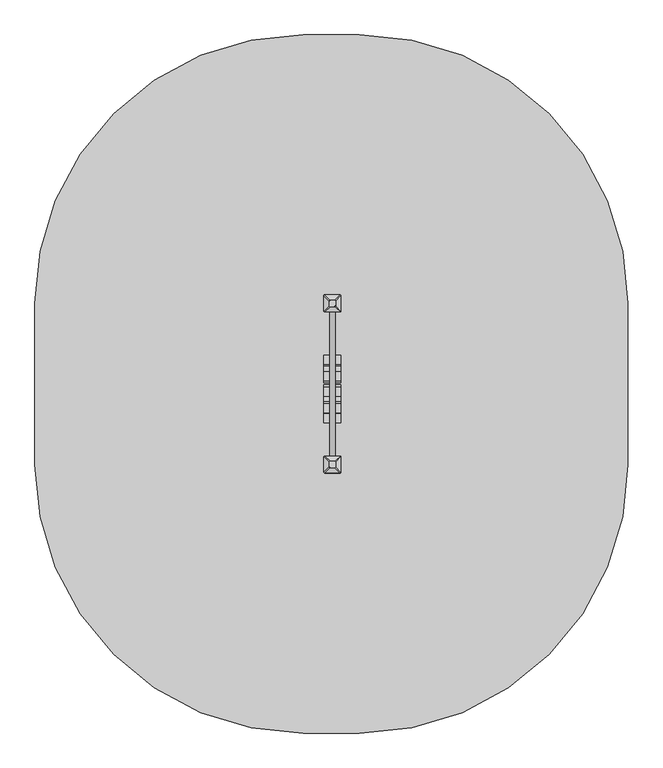
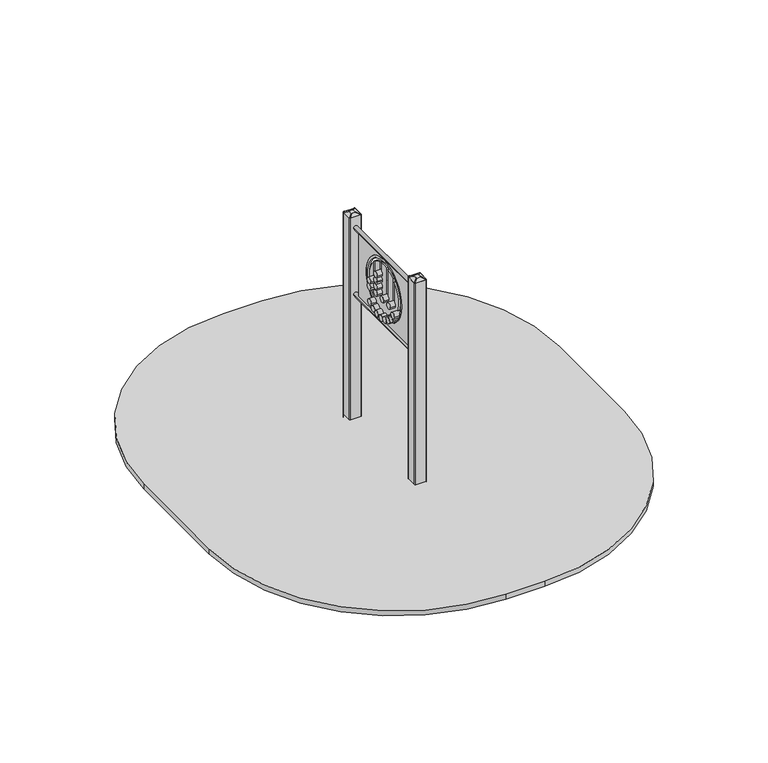
"""IFC4 building model written with IfcOpenShell, lengths in millimetres: furniture geometry."""

from ifc_helpers import new_model, si_unit, point, frame, frame_2d, origin, place, context, project, spatial, polyline, circle_curve, trimmed, segment, composite_curve, outline, extrude, source, transform, mapped, element, save
from ifc_brep_helpers import plane_surface, cylinder_surface, extruded_surface, advanced_brep


def furniture_8bec8dd3(model_context):
    return source(origin(), model_context, "Body", "SolidModel", [
        advanced_brep(
        [(17.5, -724.0, 1715.0), (12.5, -719.0, 1715.0), (-12.5, -719.0, 1715.0), (-17.5, -724.0, 1715.0), (-17.5, -749.0, 1715.0), (-12.5, -754.0, 1715.0), (12.5, -754.0, 1715.0), (17.5, -749.0, 1715.0), (47.5, -694.0, 1700.0), (47.5, -779.0, 1700.0), (42.5, -784.0, 1700.0), (-42.5, -784.0, 1700.0), (-47.5, -779.0, 1700.0), (-47.5, -694.0, 1700.0), (-42.5, -689.0, 1700.0), (42.5, -689.0, 1700.0)],
        [
            (0, 1, circle_curve(frame((12.5, -724.0, 1715.0), z_axis=(0.0, 0.0, 1.0), x_axis=(1.0, 0.0, 0.0)), 5.0)),
            (1, 2),
            (2, 3, circle_curve(frame((-12.5, -724.0, 1715.0), z_axis=(0.0, 0.0, 1.0), x_axis=(1.0, 0.0, 0.0)), 5.0)),
            (3, 4),
            (4, 5, circle_curve(frame((-12.5, -749.0, 1715.0), z_axis=(0.0, 0.0, 1.0), x_axis=(1.0, 0.0, 0.0)), 5.0)),
            (5, 6),
            (6, 7, circle_curve(frame((12.5, -749.0, 1715.0), z_axis=(0.0, 0.0, 1.0), x_axis=(1.0, 0.0, 0.0)), 5.0)),
            (7, 0),
            (8, 9),
            (9, 10, circle_curve(frame((42.5, -779.0, 1700.0), z_axis=(0.0, 0.0, -1.0), x_axis=(1.0, 0.0, 0.0)), 5.0)),
            (10, 11),
            (11, 12, circle_curve(frame((-42.5, -779.0, 1700.0), z_axis=(0.0, 0.0, -1.0), x_axis=(1.0, 0.0, 0.0)), 5.0)),
            (12, 13),
            (13, 14, circle_curve(frame((-42.5, -694.0, 1700.0), z_axis=(0.0, 0.0, -1.0), x_axis=(1.0, 0.0, 0.0)), 5.0)),
            (14, 15),
            (15, 8, circle_curve(frame((42.5, -694.0, 1700.0), z_axis=(0.0, 0.0, -1.0), x_axis=(1.0, 0.0, 0.0)), 5.0)),
            (8, 0),
            (7, 9),
            (6, 10),
            (5, 11),
            (4, 12),
            (3, 13),
            (2, 14),
            (1, 15),
        ],
        [
            plane_surface(frame((0.0, -736.5, 1715.0), z_axis=(0.0, 0.0, 1.0), x_axis=(-1.0, 0.0, 0.0))),
            plane_surface(frame((0.0, -736.5, 1700.0), z_axis=(0.0, 0.0, -1.0), x_axis=(-1.0, 0.0, 0.0))),
            plane_surface(frame((47.5, -736.5, 1700.0), z_axis=(0.447213595499958, 0.0, 0.894427190999916), x_axis=(0.0, -1.0, 0.0))),
            extruded_surface(trimmed(circle_curve(frame((12.5, -749.0, 1715.0), z_axis=(0.0, 0.0, -1.0), x_axis=(1.0, 0.0, 0.0)), 5.0), [point((17.5, -749.0, 1715.0))], [point((12.5, -754.0, 1715.0))], True, "CARTESIAN"), (30.0, -30.0, -15.0), 45.0),
            plane_surface(frame((0.0, -784.0, 1700.0), z_axis=(0.0, -0.447213595499958, 0.894427190999916), x_axis=(-1.0, 0.0, 0.0))),
            extruded_surface(trimmed(circle_curve(frame((-12.5, -749.0, 1715.0), z_axis=(0.0, 0.0, -1.0), x_axis=(1.0, 0.0, 0.0)), 5.0), [point((-12.5, -754.0, 1715.0))], [point((-17.5, -749.0, 1715.0))], True, "CARTESIAN"), (-30.0, -30.0, -15.0), 45.0),
            plane_surface(frame((-47.5, -736.5, 1700.0), z_axis=(-0.447213595499958, 0.0, 0.894427190999916), x_axis=(0.0, 1.0, 0.0))),
            extruded_surface(trimmed(circle_curve(frame((-12.5, -724.0, 1715.0), z_axis=(0.0, 0.0, -1.0), x_axis=(1.0, 0.0, 0.0)), 5.0), [point((-17.5, -724.0, 1715.0))], [point((-12.5, -719.0, 1715.0))], True, "CARTESIAN"), (-30.0, 30.0, -15.0), 45.0),
            plane_surface(frame((0.0, -689.0, 1700.0), z_axis=(0.0, 0.447213595499958, 0.894427190999916), x_axis=(1.0, 0.0, 0.0))),
            extruded_surface(trimmed(circle_curve(frame((12.5, -724.0, 1715.0), z_axis=(0.0, 0.0, -1.0), x_axis=(1.0, 0.0, 0.0)), 5.0), [point((12.5, -719.0, 1715.0))], [point((17.5, -724.0, 1715.0))], True, "CARTESIAN"), (30.0, 30.0, -15.0), 45.0),
        ],
        [
            (0, [[1, 2, 3, 4, 5, 6, 7, 8]]),
            (1, [[9, 10, 11, 12, 13, 14, 15, 16]]),
            (2, [[17, -8, 18, -9]]),
            (3, [[-18, -7, 19, -10]]),
            (4, [[-19, -6, 20, -11]]),
            (5, [[-20, -5, 21, -12]]),
            (6, [[-21, -4, 22, -13]]),
            (7, [[-22, -3, 23, -14]]),
            (8, [[-23, -2, 24, -15]]),
            (9, [[-24, -1, -17, -16]]),
        ],
    ),
        extrude(outline(composite_curve([segment(trimmed(circle_curve(frame_2d((42.5, -779.0)), 5.0), [point((47.5, -779.0))], [point((42.5, -784.0))], False, "CARTESIAN"), True, "CONTINUOUS"), segment(polyline([(42.5, -784.0), (-42.5, -784.0)]), True, "CONTINUOUS"), segment(trimmed(circle_curve(frame_2d((-42.5, -779.0)), 5.0), [point((-42.5, -784.0))], [point((-47.5, -779.0))], False, "CARTESIAN"), True, "CONTINUOUS"), segment(polyline([(-47.5, -779.0), (-47.5, -694.0)]), True, "CONTINUOUS"), segment(trimmed(circle_curve(frame_2d((-42.5, -694.0)), 5.0), [point((-47.5, -694.0))], [point((-42.5, -689.0))], False, "CARTESIAN"), True, "CONTINUOUS"), segment(polyline([(-42.5, -689.0), (42.5, -689.0)]), True, "CONTINUOUS"), segment(trimmed(circle_curve(frame_2d((42.5, -694.0)), 5.0), [point((42.5, -689.0))], [point((47.5, -694.0))], False, "CARTESIAN"), True, "CONTINUOUS"), segment(polyline([(47.5, -694.0), (47.5, -779.0)]), True, "CONTINUOUS")], self_intersect=False)), frame((0.0, 0.0, -600.0), z_axis=(0.0, 0.0, 1.0), x_axis=(1.0, 0.0, 0.0)), (0.0, 0.0, 1.0), 500.0),
        advanced_brep(
        [(90.0, -586.5, -600.0), (150.0, -646.5, -600.0), (150.0, -826.5, -600.0), (90.0, -886.5, -600.0), (-90.0, -886.5, -600.0), (-150.0, -826.5, -600.0), (-150.0, -646.5, -600.0), (-90.0, -586.5, -600.0), (-90.0, -586.5, -460.0), (90.0, -586.5, -460.0), (-150.0, -826.5, -460.0), (-150.0, -646.5, -460.0), (90.0, -886.5, -460.0), (-90.0, -886.5, -460.0), (150.0, -646.5, -460.0), (150.0, -826.5, -460.0), (-12.2959549, -663.8010597, -250.0), (-72.2959549, -723.8010597, -250.0), (-72.2959549, -749.1989403, -250.0), (-12.2959549, -809.1989403, -250.0), (12.2959549, -809.1989403, -250.0), (72.2959549, -749.1989403, -250.0), (72.2959549, -723.8010597, -250.0), (12.2959549, -663.8010597, -250.0)],
        [
            (0, 1, circle_curve(frame((90.0, -646.5, -600.0), z_axis=(0.0, 0.0, -1.0), x_axis=(1.0, 0.0, 0.0)), 60.0)),
            (1, 2),
            (2, 3, circle_curve(frame((90.0, -826.5, -600.0), z_axis=(0.0, 0.0, -1.0), x_axis=(1.0, 0.0, 0.0)), 60.0)),
            (3, 4),
            (4, 5, circle_curve(frame((-90.0, -826.5, -600.0), z_axis=(0.0, 0.0, -1.0), x_axis=(1.0, 0.0, 0.0)), 60.0)),
            (5, 6),
            (6, 7, circle_curve(frame((-90.0, -646.5, -600.0), z_axis=(0.0, 0.0, -1.0), x_axis=(1.0, 0.0, 0.0)), 60.0)),
            (7, 0),
            (7, 8),
            (8, 9),
            (9, 0),
            (5, 10),
            (10, 11),
            (11, 6),
            (3, 12),
            (12, 13),
            (13, 4),
            (1, 14),
            (14, 15),
            (15, 2),
            (16, 17, circle_curve(frame((-12.2959549, -723.8010597, -250.0), z_axis=(0.0, 0.0, 1.0), x_axis=(1.0, 0.0, 0.0)), 60.0)),
            (17, 18),
            (18, 19, circle_curve(frame((-12.2959549, -749.1989403, -250.0), z_axis=(0.0, 0.0, 1.0), x_axis=(1.0, 0.0, 0.0)), 60.0)),
            (19, 20),
            (20, 21, circle_curve(frame((12.2959549, -749.1989403, -250.0), z_axis=(0.0, 0.0, 1.0), x_axis=(1.0, 0.0, 0.0)), 60.0)),
            (21, 22),
            (22, 23, circle_curve(frame((12.2959549, -723.8010597, -250.0), z_axis=(0.0, 0.0, 1.0), x_axis=(1.0, 0.0, 0.0)), 60.0)),
            (23, 16),
            (17, 11),
            (10, 18),
            (19, 13),
            (12, 20),
            (21, 15),
            (14, 22),
            (23, 9),
            (8, 16),
            (11, 8, circle_curve(frame((-90.0, -646.5, -460.0), z_axis=(0.0, 0.0, -1.0), x_axis=(1.0, 0.0, 0.0)), 60.0)),
            (13, 10, circle_curve(frame((-90.0, -826.5, -460.0), z_axis=(0.0, 0.0, -1.0), x_axis=(1.0, 0.0, 0.0)), 60.0)),
            (15, 12, circle_curve(frame((90.0, -826.5, -460.0), z_axis=(0.0, 0.0, -1.0), x_axis=(1.0, 0.0, 0.0)), 60.0)),
            (9, 14, circle_curve(frame((90.0, -646.5, -460.0), z_axis=(0.0, 0.0, -1.0), x_axis=(1.0, 0.0, 0.0)), 60.0)),
        ],
        [
            plane_surface(frame((-176.6329682, -586.5, -600.0), z_axis=(0.0, 0.0, -1.0), x_axis=(1.0, 0.0, 0.0))),
            plane_surface(frame((90.0, -586.5, -460.0), z_axis=(0.0, 1.0, 0.0), x_axis=(0.0, 0.0, -1.0))),
            plane_surface(frame((-150.0, -646.5, -460.0), z_axis=(-1.0, 0.0, 0.0), x_axis=(0.0, 0.0, -1.0))),
            plane_surface(frame((-90.0, -886.5, -460.0), z_axis=(0.0, -1.0, 0.0), x_axis=(0.0, 0.0, -1.0))),
            plane_surface(frame((150.0, -826.5, -460.0), z_axis=(1.0, 0.0, 0.0), x_axis=(0.0, 0.0, -1.0))),
            plane_surface(frame((0.0, -736.5, -250.0), z_axis=(0.0, 0.0, 1.0), x_axis=(-1.0, 0.0, 0.0))),
            plane_surface(frame((-150.0, -736.5, -460.0), z_axis=(-0.9378559633153523, 0.0, 0.3470247715564883), x_axis=(0.0, -1.0, 0.0))),
            plane_surface(frame((0.0, -886.5, -460.0), z_axis=(0.0, -0.9384407279810882, 0.3454402988452927), x_axis=(1.0, 0.0, 0.0))),
            plane_surface(frame((150.0, -736.5, -460.0), z_axis=(0.9378559633153524, 0.0, 0.34702477155648764), x_axis=(0.0, 1.0, 0.0))),
            plane_surface(frame((0.0, -586.5, -460.0), z_axis=(0.0, 0.9384407279810884, 0.3454402988452924), x_axis=(-1.0, 0.0, 0.0))),
            cylinder_surface(frame((-90.0, -646.5, -600.0), z_axis=(0.0, 0.0, 1.0), x_axis=(1.0, 0.0, 0.0)), 60.0),
            cylinder_surface(frame((-90.0, -826.5, -600.0), z_axis=(0.0, 0.0, 1.0), x_axis=(1.0, 0.0, 0.0)), 60.0),
            cylinder_surface(frame((90.0, -826.5, -600.0), z_axis=(0.0, 0.0, 1.0), x_axis=(1.0, 0.0, 0.0)), 60.0),
            cylinder_surface(frame((90.0, -646.5, -600.0), z_axis=(0.0, 0.0, 1.0), x_axis=(1.0, 0.0, 0.0)), 60.0),
            extruded_surface(trimmed(circle_curve(frame((-90.0, -646.5, -460.0), z_axis=(0.0, 0.0, 1.0), x_axis=(1.0, 0.0, 0.0)), 60.0), [point((-90.0, -586.5, -460.0))], [point((-150.0, -646.5, -460.0))], True, "CARTESIAN"), (77.7040451, -77.3010597, 210.0), 236.8826132404947),
            extruded_surface(trimmed(circle_curve(frame((90.0, -646.5, -460.0), z_axis=(0.0, 0.0, 1.0), x_axis=(1.0, 0.0, 0.0)), 60.0), [point((150.0, -646.5, -460.0))], [point((90.0, -586.5, -460.0))], True, "CARTESIAN"), (-77.7040451, -77.3010597, 210.0), 236.8826132404947),
            extruded_surface(trimmed(circle_curve(frame((-90.0, -826.5, -460.0), z_axis=(0.0, 0.0, 1.0), x_axis=(1.0, 0.0, 0.0)), 60.0), [point((-150.0, -826.5, -460.0))], [point((-90.0, -886.5, -460.0))], True, "CARTESIAN"), (77.7040451, 77.3010597, 210.0), 236.8826132404947),
            extruded_surface(trimmed(circle_curve(frame((90.0, -826.5, -460.0), z_axis=(0.0, 0.0, 1.0), x_axis=(1.0, 0.0, 0.0)), 60.0), [point((90.0, -886.5, -460.0))], [point((150.0, -826.5, -460.0))], True, "CARTESIAN"), (-77.7040451, 77.3010597, 210.0), 236.8826132404947),
        ],
        [
            (0, [[1, 2, 3, 4, 5, 6, 7, 8]]),
            (1, [[-8, 9, 10, 11]]),
            (2, [[-6, 12, 13, 14]]),
            (3, [[-4, 15, 16, 17]]),
            (4, [[-2, 18, 19, 20]]),
            (5, [[21, 22, 23, 24, 25, 26, 27, 28]]),
            (6, [[-22, 29, -13, 30]]),
            (7, [[-24, 31, -16, 32]]),
            (8, [[-26, 33, -19, 34]]),
            (9, [[-28, 35, -10, 36]]),
            (10, [[-7, -14, 37, -9]]),
            (11, [[-5, -17, 38, -12]]),
            (12, [[-3, -20, 39, -15]]),
            (13, [[-1, -11, 40, -18]]),
            (14, [[-21, -36, -37, -29]]),
            (15, [[-27, -34, -40, -35]]),
            (16, [[-23, -30, -38, -31]]),
            (17, [[-25, -32, -39, -33]]),
        ],
    ),
        advanced_brep(
        [(17.5, 151.0, 1715.0), (17.5, 176.0, 1715.0), (12.5, 181.0, 1715.0), (-12.5, 181.0, 1715.0), (-17.5, 176.0, 1715.0), (-17.5, 151.0, 1715.0), (-12.5, 146.0, 1715.0), (12.5, 146.0, 1715.0), (47.5, 121.0, 1700.0), (42.5, 116.0, 1700.0), (-42.5, 116.0, 1700.0), (-47.5, 121.0, 1700.0), (-47.5, 206.0, 1700.0), (-42.5, 211.0, 1700.0), (42.5, 211.0, 1700.0), (47.5, 206.0, 1700.0)],
        [
            (0, 1),
            (1, 2, circle_curve(frame((12.5, 176.0, 1715.0), z_axis=(0.0, 0.0, 1.0), x_axis=(1.0, 0.0, 0.0)), 5.0)),
            (2, 3),
            (3, 4, circle_curve(frame((-12.5, 176.0, 1715.0), z_axis=(0.0, 0.0, 1.0), x_axis=(1.0, 0.0, 0.0)), 5.0)),
            (4, 5),
            (5, 6, circle_curve(frame((-12.5, 151.0, 1715.0), z_axis=(0.0, 0.0, 1.0), x_axis=(1.0, 0.0, 0.0)), 5.0)),
            (6, 7),
            (7, 0, circle_curve(frame((12.5, 151.0, 1715.0), z_axis=(0.0, 0.0, 1.0), x_axis=(1.0, 0.0, 0.0)), 5.0)),
            (8, 9, circle_curve(frame((42.5, 121.0, 1700.0), z_axis=(0.0, 0.0, -1.0), x_axis=(1.0, 0.0, 0.0)), 5.0)),
            (9, 10),
            (10, 11, circle_curve(frame((-42.5, 121.0, 1700.0), z_axis=(0.0, 0.0, -1.0), x_axis=(1.0, 0.0, 0.0)), 5.0)),
            (11, 12),
            (12, 13, circle_curve(frame((-42.5, 206.0, 1700.0), z_axis=(0.0, 0.0, -1.0), x_axis=(1.0, 0.0, 0.0)), 5.0)),
            (13, 14),
            (14, 15, circle_curve(frame((42.5, 206.0, 1700.0), z_axis=(0.0, 0.0, -1.0), x_axis=(1.0, 0.0, 0.0)), 5.0)),
            (15, 8),
            (15, 1),
            (0, 8),
            (14, 2),
            (13, 3),
            (12, 4),
            (11, 5),
            (10, 6),
            (9, 7),
        ],
        [
            plane_surface(frame((0.0, 163.5, 1715.0), z_axis=(0.0, 0.0, 1.0), x_axis=(-1.0, 0.0, 0.0))),
            plane_surface(frame((0.0, 163.5, 1700.0), z_axis=(0.0, 0.0, -1.0), x_axis=(-1.0, 0.0, 0.0))),
            plane_surface(frame((47.5, 163.5, 1700.0), z_axis=(0.447213595499958, 0.0, 0.894427190999916), x_axis=(0.0, 1.0, 0.0))),
            extruded_surface(trimmed(circle_curve(frame((42.5, 206.0, 1700.0), z_axis=(0.0, 0.0, 1.0), x_axis=(1.0, 0.0, 0.0)), 5.0), [point((47.5, 206.0, 1700.0))], [point((42.5, 211.0, 1700.0))], True, "CARTESIAN"), (-30.0, -30.0, 15.0), 45.0),
            plane_surface(frame((0.0, 211.0, 1700.0), z_axis=(0.0, 0.447213595499958, 0.894427190999916), x_axis=(-1.0, 0.0, 0.0))),
            extruded_surface(trimmed(circle_curve(frame((-42.5, 206.0, 1700.0), z_axis=(0.0, 0.0, 1.0), x_axis=(1.0, 0.0, 0.0)), 5.0), [point((-42.5, 211.0, 1700.0))], [point((-47.5, 206.0, 1700.0))], True, "CARTESIAN"), (30.0, -30.0, 15.0), 45.0),
            plane_surface(frame((-47.5, 163.5, 1700.0), z_axis=(-0.447213595499958, 0.0, 0.894427190999916), x_axis=(0.0, -1.0, 0.0))),
            extruded_surface(trimmed(circle_curve(frame((-42.5, 121.0, 1700.0), z_axis=(0.0, 0.0, 1.0), x_axis=(1.0, 0.0, 0.0)), 5.0), [point((-47.5, 121.0, 1700.0))], [point((-42.5, 116.0, 1700.0))], True, "CARTESIAN"), (30.0, 30.0, 15.0), 45.0),
            plane_surface(frame((0.0, 116.0, 1700.0), z_axis=(0.0, -0.447213595499958, 0.894427190999916), x_axis=(1.0, 0.0, 0.0))),
            extruded_surface(trimmed(circle_curve(frame((42.5, 121.0, 1700.0), z_axis=(0.0, 0.0, 1.0), x_axis=(1.0, 0.0, 0.0)), 5.0), [point((42.5, 116.0, 1700.0))], [point((47.5, 121.0, 1700.0))], True, "CARTESIAN"), (-30.0, 30.0, 15.0), 45.0),
        ],
        [
            (0, [[1, 2, 3, 4, 5, 6, 7, 8]]),
            (1, [[9, 10, 11, 12, 13, 14, 15, 16]]),
            (2, [[-16, 17, -1, 18]]),
            (3, [[-15, 19, -2, -17]]),
            (4, [[-14, 20, -3, -19]]),
            (5, [[-13, 21, -4, -20]]),
            (6, [[-12, 22, -5, -21]]),
            (7, [[-11, 23, -6, -22]]),
            (8, [[-10, 24, -7, -23]]),
            (9, [[-9, -18, -8, -24]]),
        ],
    ),
        extrude(outline(composite_curve([segment(trimmed(circle_curve(frame_2d((42.5, 121.0)), 5.0), [point((47.5, 121.0))], [point((42.5, 116.0))], False, "CARTESIAN"), True, "CONTINUOUS"), segment(polyline([(42.5, 116.0), (-42.5, 116.0)]), True, "CONTINUOUS"), segment(trimmed(circle_curve(frame_2d((-42.5, 121.0)), 5.0), [point((-42.5, 116.0))], [point((-47.5, 121.0))], False, "CARTESIAN"), True, "CONTINUOUS"), segment(polyline([(-47.5, 121.0), (-47.5, 206.0)]), True, "CONTINUOUS"), segment(trimmed(circle_curve(frame_2d((-42.5, 206.0)), 5.0), [point((-47.5, 206.0))], [point((-42.5, 211.0))], False, "CARTESIAN"), True, "CONTINUOUS"), segment(polyline([(-42.5, 211.0), (42.5, 211.0)]), True, "CONTINUOUS"), segment(trimmed(circle_curve(frame_2d((42.5, 206.0)), 5.0), [point((42.5, 211.0))], [point((47.5, 206.0))], False, "CARTESIAN"), True, "CONTINUOUS"), segment(polyline([(47.5, 206.0), (47.5, 121.0)]), True, "CONTINUOUS")], self_intersect=False)), frame((0.0, 0.0, -600.0), z_axis=(0.0, 0.0, 1.0), x_axis=(1.0, 0.0, 0.0)), (0.0, 0.0, 1.0), 500.0),
        advanced_brep(
        [(90.0, 313.5, -600.0), (150.0, 253.5, -600.0), (150.0, 73.5, -600.0), (90.0, 13.5, -600.0), (-90.0, 13.5, -600.0), (-150.0, 73.5, -600.0), (-150.0, 253.5, -600.0), (-90.0, 313.5, -600.0), (-90.0, 313.5, -460.0), (90.0, 313.5, -460.0), (-150.0, 73.5, -460.0), (-150.0, 253.5, -460.0), (90.0, 13.5, -460.0), (-90.0, 13.5, -460.0), (150.0, 253.5, -460.0), (150.0, 73.5, -460.0), (-12.2959549, 236.1989403, -250.0), (-72.2959549, 176.1989403, -250.0), (-72.2959549, 150.8010597, -250.0), (-12.2959549, 90.8010597, -250.0), (12.2959549, 90.8010597, -250.0), (72.2959549, 150.8010597, -250.0), (72.2959549, 176.1989403, -250.0), (12.2959549, 236.1989403, -250.0)],
        [
            (0, 1, circle_curve(frame((90.0, 253.5, -600.0), z_axis=(0.0, 0.0, -1.0), x_axis=(1.0, 0.0, 0.0)), 60.0)),
            (1, 2),
            (2, 3, circle_curve(frame((90.0, 73.5, -600.0), z_axis=(0.0, 0.0, -1.0), x_axis=(1.0, 0.0, 0.0)), 60.0)),
            (3, 4),
            (4, 5, circle_curve(frame((-90.0, 73.5, -600.0), z_axis=(0.0, 0.0, -1.0), x_axis=(1.0, 0.0, 0.0)), 60.0)),
            (5, 6),
            (6, 7, circle_curve(frame((-90.0, 253.5, -600.0), z_axis=(0.0, 0.0, -1.0), x_axis=(1.0, 0.0, 0.0)), 60.0)),
            (7, 0),
            (7, 8),
            (8, 9),
            (9, 0),
            (5, 10),
            (10, 11),
            (11, 6),
            (3, 12),
            (12, 13),
            (13, 4),
            (1, 14),
            (14, 15),
            (15, 2),
            (16, 17, circle_curve(frame((-12.2959549, 176.1989403, -250.0), z_axis=(0.0, 0.0, 1.0), x_axis=(1.0, 0.0, 0.0)), 60.0)),
            (17, 18),
            (18, 19, circle_curve(frame((-12.2959549, 150.8010597, -250.0), z_axis=(0.0, 0.0, 1.0), x_axis=(1.0, 0.0, 0.0)), 60.0)),
            (19, 20),
            (20, 21, circle_curve(frame((12.2959549, 150.8010597, -250.0), z_axis=(0.0, 0.0, 1.0), x_axis=(1.0, 0.0, 0.0)), 60.0)),
            (21, 22),
            (22, 23, circle_curve(frame((12.2959549, 176.1989403, -250.0), z_axis=(0.0, 0.0, 1.0), x_axis=(1.0, 0.0, 0.0)), 60.0)),
            (23, 16),
            (17, 11),
            (10, 18),
            (19, 13),
            (12, 20),
            (21, 15),
            (14, 22),
            (23, 9),
            (8, 16),
            (11, 8, circle_curve(frame((-90.0, 253.5, -460.0), z_axis=(0.0, 0.0, -1.0), x_axis=(1.0, 0.0, 0.0)), 60.0)),
            (13, 10, circle_curve(frame((-90.0, 73.5, -460.0), z_axis=(0.0, 0.0, -1.0), x_axis=(1.0, 0.0, 0.0)), 60.0)),
            (15, 12, circle_curve(frame((90.0, 73.5, -460.0), z_axis=(0.0, 0.0, -1.0), x_axis=(1.0, 0.0, 0.0)), 60.0)),
            (9, 14, circle_curve(frame((90.0, 253.5, -460.0), z_axis=(0.0, 0.0, -1.0), x_axis=(1.0, 0.0, 0.0)), 60.0)),
        ],
        [
            plane_surface(frame((-176.6329682, 313.5, -600.0), z_axis=(0.0, 0.0, -1.0), x_axis=(1.0, 0.0, 0.0))),
            plane_surface(frame((90.0, 313.5, -460.0), z_axis=(0.0, 1.0, 0.0), x_axis=(0.0, 0.0, -1.0))),
            plane_surface(frame((-150.0, 253.5, -460.0), z_axis=(-1.0, 0.0, 0.0), x_axis=(0.0, 0.0, -1.0))),
            plane_surface(frame((-90.0, 13.5, -460.0), z_axis=(0.0, -1.0, 0.0), x_axis=(0.0, 0.0, -1.0))),
            plane_surface(frame((150.0, 73.5, -460.0), z_axis=(1.0, 0.0, 0.0), x_axis=(0.0, 0.0, -1.0))),
            plane_surface(frame((0.0, 163.5, -250.0), z_axis=(0.0, 0.0, 1.0), x_axis=(-1.0, 0.0, 0.0))),
            plane_surface(frame((-150.0, 163.5, -460.0), z_axis=(-0.9378559633153523, 0.0, 0.3470247715564883), x_axis=(0.0, -1.0, 0.0))),
            plane_surface(frame((0.0, 13.5, -460.0), z_axis=(0.0, -0.9384407279810882, 0.3454402988452927), x_axis=(1.0, 0.0, 0.0))),
            plane_surface(frame((150.0, 163.5, -460.0), z_axis=(0.9378559633153524, 0.0, 0.34702477155648764), x_axis=(0.0, 1.0, 0.0))),
            plane_surface(frame((0.0, 313.5, -460.0), z_axis=(0.0, 0.9384407279810884, 0.3454402988452924), x_axis=(-1.0, 0.0, 0.0))),
            cylinder_surface(frame((-90.0, 253.5, -600.0), z_axis=(0.0, 0.0, 1.0), x_axis=(1.0, 0.0, 0.0)), 60.0),
            cylinder_surface(frame((-90.0, 73.5, -600.0), z_axis=(0.0, 0.0, 1.0), x_axis=(1.0, 0.0, 0.0)), 60.0),
            cylinder_surface(frame((90.0, 73.5, -600.0), z_axis=(0.0, 0.0, 1.0), x_axis=(1.0, 0.0, 0.0)), 60.0),
            cylinder_surface(frame((90.0, 253.5, -600.0), z_axis=(0.0, 0.0, 1.0), x_axis=(1.0, 0.0, 0.0)), 60.0),
            extruded_surface(trimmed(circle_curve(frame((-90.0, 253.5, -460.0), z_axis=(0.0, 0.0, 1.0), x_axis=(1.0, 0.0, 0.0)), 60.0), [point((-90.0, 313.5, -460.0))], [point((-150.0, 253.5, -460.0))], True, "CARTESIAN"), (77.7040451, -77.3010597, 210.0), 236.8826132404947),
            extruded_surface(trimmed(circle_curve(frame((90.0, 253.5, -460.0), z_axis=(0.0, 0.0, 1.0), x_axis=(1.0, 0.0, 0.0)), 60.0), [point((150.0, 253.5, -460.0))], [point((90.0, 313.5, -460.0))], True, "CARTESIAN"), (-77.7040451, -77.3010597, 210.0), 236.8826132404947),
            extruded_surface(trimmed(circle_curve(frame((-90.0, 73.5, -460.0), z_axis=(0.0, 0.0, 1.0), x_axis=(1.0, 0.0, 0.0)), 60.0), [point((-150.0, 73.5, -460.0))], [point((-90.0, 13.5, -460.0))], True, "CARTESIAN"), (77.7040451, 77.3010597, 210.0), 236.8826132404947),
            extruded_surface(trimmed(circle_curve(frame((90.0, 73.5, -460.0), z_axis=(0.0, 0.0, 1.0), x_axis=(1.0, 0.0, 0.0)), 60.0), [point((90.0, 13.5, -460.0))], [point((150.0, 73.5, -460.0))], True, "CARTESIAN"), (-77.7040451, 77.3010597, 210.0), 236.8826132404947),
        ],
        [
            (0, [[1, 2, 3, 4, 5, 6, 7, 8]]),
            (1, [[-8, 9, 10, 11]]),
            (2, [[-6, 12, 13, 14]]),
            (3, [[-4, 15, 16, 17]]),
            (4, [[-2, 18, 19, 20]]),
            (5, [[21, 22, 23, 24, 25, 26, 27, 28]]),
            (6, [[-22, 29, -13, 30]]),
            (7, [[-24, 31, -16, 32]]),
            (8, [[-26, 33, -19, 34]]),
            (9, [[-28, 35, -10, 36]]),
            (10, [[-7, -14, 37, -9]]),
            (11, [[-5, -17, 38, -12]]),
            (12, [[-3, -20, 39, -15]]),
            (13, [[-1, -11, 40, -18]]),
            (14, [[-21, -36, -37, -29]]),
            (15, [[-27, -34, -40, -35]]),
            (16, [[-23, -30, -38, -31]]),
            (17, [[-25, -32, -39, -33]]),
        ],
    ),
        extrude(outline(composite_curve([segment(trimmed(circle_curve(frame_2d((-286.5, 1335.8064628)), 245.0), [point((-281.1972975, 1580.7490711))], [point((-279.8248393, 1090.8974139))], False, "CARTESIAN"), True, "CONTINUOUS"), segment(trimmed(circle_curve(frame_2d((-286.5, 1335.8064628)), 245.0), [point((-279.8248393, 1090.8974139))], [point((-281.1972975, 1580.7490711))], False, "CARTESIAN"), True, "CONTINUOUS")], self_intersect=False), holes=[composite_curve([segment(trimmed(circle_curve(frame_2d((-286.5, 1335.8064628)), 205.0), [point((-141.8046705, 1481.0244425))], [point((-271.17443, 1131.3801267))], False, "CARTESIAN"), True, "CONTINUOUS"), segment(polyline([(-271.17443, 1131.3801267), (-271.17443, 1111.3290098)]), True, "CONTINUOUS"), segment(trimmed(circle_curve(frame_2d((-286.5, 1335.8064628)), 225.0), [point((-271.17443, 1111.3290098))], [point((-281.6301712, 1560.7537561))], True, "CARTESIAN"), True, "CONTINUOUS"), segment(trimmed(circle_curve(frame_2d((-286.5, 1335.8064628)), 225.0), [point((-281.6301712, 1560.7537561))], [point((-302.0076409, 1111.3415144))], True, "CARTESIAN"), True, "CONTINUOUS"), segment(polyline([(-302.0076409, 1111.3415144), (-302.0076409, 1131.3938579)]), True, "CONTINUOUS"), segment(trimmed(circle_curve(frame_2d((-286.5, 1335.8064628)), 205.0), [point((-302.0076409, 1131.3938579))], [point((-431.1953295, 1481.0244425))], False, "CARTESIAN"), True, "CONTINUOUS"), segment(polyline([(-431.1953295, 1481.0244425), (-431.1953295, 1278.1092823), (-411.1953295, 1278.1092823), (-411.1953295, 1498.5211665)]), True, "CONTINUOUS"), segment(trimmed(circle_curve(frame_2d((-286.5, 1335.8064628)), 205.0), [point((-411.1953295, 1498.5211665))], [point((-341.1953295, 1533.375238))], False, "CARTESIAN"), True, "CONTINUOUS"), segment(polyline([(-341.1953295, 1533.375238), (-341.1953295, 1278.1092823), (-321.1953295, 1278.1092823), (-321.1953295, 1537.849117)]), True, "CONTINUOUS"), segment(trimmed(circle_curve(frame_2d((-286.5, 1335.8064628)), 205.0), [point((-321.1953295, 1537.849117))], [point((-251.8046705, 1537.849117))], False, "CARTESIAN"), True, "CONTINUOUS"), segment(polyline([(-251.8046705, 1537.849117), (-251.8046705, 1278.1092823), (-231.8046705, 1278.1092823), (-231.8046705, 1533.375238)]), True, "CONTINUOUS"), segment(trimmed(circle_curve(frame_2d((-286.5, 1335.8064628)), 205.0), [point((-231.8046705, 1533.375238))], [point((-161.8046705, 1498.5211665))], False, "CARTESIAN"), True, "CONTINUOUS"), segment(polyline([(-161.8046705, 1498.5211665), (-161.8046705, 1278.1092823), (-141.8046705, 1278.1092823), (-141.8046705, 1481.0244425)]), True, "CONTINUOUS")], self_intersect=False)]), frame((-6.0, 0.0, 0.0), z_axis=(1.0, 0.0, 0.0), x_axis=(0.0, 1.0, 0.0)), (0.0, 0.0, 1.0), 12.0),
        extrude(outline(composite_curve([segment(trimmed(circle_curve(frame_2d((-242.1960774, 1342.822614)), 25.0), [point((-217.1960774, 1342.822614))], [point((-267.1960774, 1342.822614))], False, "CARTESIAN"), True, "CONTINUOUS"), segment(trimmed(circle_curve(frame_2d((-242.1960774, 1342.822614)), 25.0), [point((-267.1960774, 1342.822614))], [point((-217.1960774, 1342.822614))], False, "CARTESIAN"), True, "CONTINUOUS")], self_intersect=False)), frame((-47.5, 0.0, 0.0), z_axis=(1.0, 0.0, 0.0), x_axis=(0.0, 1.0, 0.0)), (0.0, 0.0, 1.0), 95.0),
        extrude(outline(composite_curve([segment(trimmed(circle_curve(frame_2d((-152.0683792, 1289.4911736)), 25.0), [point((-127.0683792, 1289.4911736))], [point((-177.0683792, 1289.4911736))], False, "CARTESIAN"), True, "CONTINUOUS"), segment(trimmed(circle_curve(frame_2d((-152.0683792, 1289.4911736)), 25.0), [point((-177.0683792, 1289.4911736))], [point((-127.0683792, 1289.4911736))], False, "CARTESIAN"), True, "CONTINUOUS")], self_intersect=False)), frame((-47.5, 0.0, 0.0), z_axis=(1.0, 0.0, 0.0), x_axis=(0.0, 1.0, 0.0)), (0.0, 0.0, 1.0), 95.0),
        extrude(outline(composite_curve([segment(trimmed(circle_curve(frame_2d((-330.9342835, 1290.7776342)), 25.0), [point((-305.9342835, 1290.7776342))], [point((-355.9342835, 1290.7776342))], False, "CARTESIAN"), True, "CONTINUOUS"), segment(trimmed(circle_curve(frame_2d((-330.9342835, 1290.7776342)), 25.0), [point((-355.9342835, 1290.7776342))], [point((-305.9342835, 1290.7776342))], False, "CARTESIAN"), True, "CONTINUOUS")], self_intersect=False)), frame((-47.5, 0.0, 0.0), z_axis=(1.0, 0.0, 0.0), x_axis=(0.0, 1.0, 0.0)), (0.0, 0.0, 1.0), 95.0),
        extrude(outline(polyline([(-632.7475719, 1593.0000046), (62.2524281, 1593.0000046), (62.2524281, 1064.9969417), (-632.7475719, 1064.9969417), (-632.7475719, 1593.0000046)]), holes=[composite_curve([segment(trimmed(circle_curve(frame_2d((-286.5, 1335.8064628)), 245.0), [point((-281.1972975, 1580.7490711))], [point((-279.8248393, 1090.8974139))], True, "CARTESIAN"), True, "CONTINUOUS"), segment(trimmed(circle_curve(frame_2d((-286.5, 1335.8064628)), 245.0), [point((-279.8248393, 1090.8974139))], [point((-281.1972975, 1580.7490711))], True, "CARTESIAN"), True, "CONTINUOUS")], self_intersect=False)]), frame((-6.0, 0.0, 0.0), z_axis=(1.0, 0.0, 0.0), x_axis=(0.0, 1.0, 0.0)), (0.0, 0.0, 1.0), 12.0),
        extrude(outline(composite_curve([segment(trimmed(circle_curve(frame_2d((1609.0, 0.0)), 16.0), [point((1609.0, 16.0))], [point((1609.0, -16.0))], False, "CARTESIAN"), True, "CONTINUOUS"), segment(trimmed(circle_curve(frame_2d((1609.0, 0.0)), 16.0), [point((1609.0, -16.0))], [point((1609.0, 16.0))], False, "CARTESIAN"), True, "CONTINUOUS")], self_intersect=False)), frame((0.0, -689.0, 0.0), z_axis=(0.0, 1.0, 0.0), x_axis=(0.0, 0.0, 1.0)), (0.0, 0.0, 1.0), 805.0),
        extrude(outline(composite_curve([segment(trimmed(circle_curve(frame_2d((1049.0, 0.0)), 16.0), [point((1049.0, 16.0))], [point((1049.0, -16.0))], False, "CARTESIAN"), True, "CONTINUOUS"), segment(trimmed(circle_curve(frame_2d((1049.0, 0.0)), 16.0), [point((1049.0, -16.0))], [point((1049.0, 16.0))], False, "CARTESIAN"), True, "CONTINUOUS")], self_intersect=False)), frame((0.0, -689.0, 0.0), z_axis=(0.0, 1.0, 0.0), x_axis=(0.0, 0.0, 1.0)), (0.0, 0.0, 1.0), 805.0),
        extrude(outline(composite_curve([segment(trimmed(circle_curve(frame_2d((-42.5, -779.0)), 5.0), [point((-42.5, -784.0))], [point((-47.5, -779.0))], False, "CARTESIAN"), True, "CONTINUOUS"), segment(polyline([(-47.5, -779.0), (-47.5, -694.0)]), True, "CONTINUOUS"), segment(trimmed(circle_curve(frame_2d((-42.5, -694.0)), 5.0), [point((-47.5, -694.0))], [point((-42.5, -689.0))], False, "CARTESIAN"), True, "CONTINUOUS"), segment(polyline([(-42.5, -689.0), (42.5, -689.0)]), True, "CONTINUOUS"), segment(trimmed(circle_curve(frame_2d((42.5, -694.0)), 5.0), [point((42.5, -689.0))], [point((47.5, -694.0))], False, "CARTESIAN"), True, "CONTINUOUS"), segment(polyline([(47.5, -694.0), (47.5, -779.0)]), True, "CONTINUOUS"), segment(trimmed(circle_curve(frame_2d((42.5, -779.0)), 5.0), [point((47.5, -779.0))], [point((42.5, -784.0))], False, "CARTESIAN"), True, "CONTINUOUS"), segment(polyline([(42.5, -784.0), (-42.5, -784.0)]), True, "CONTINUOUS")], self_intersect=False)), frame((0.0, 0.0, -100.0), z_axis=(0.0, 0.0, 1.0), x_axis=(1.0, 0.0, 0.0)), (0.0, 0.0, 1.0), 1800.0),
        extrude(outline(composite_curve([segment(trimmed(circle_curve(frame_2d((150.0, 163.5)), 1500.0), [point((150.0, 1663.5))], [point((1650.0, 163.5))], False, "CARTESIAN"), True, "CONTINUOUS"), segment(polyline([(1650.0, 163.5), (1650.0, -736.5)]), True, "CONTINUOUS"), segment(trimmed(circle_curve(frame_2d((150.0, -736.5)), 1500.0), [point((1650.0, -736.5))], [point((150.0, -2236.5))], False, "CARTESIAN"), True, "CONTINUOUS"), segment(polyline([(150.0, -2236.5), (-162.0, -2236.5)]), True, "CONTINUOUS"), segment(trimmed(circle_curve(frame_2d((-162.0, -736.5)), 1500.0), [point((-162.0, -2236.5))], [point((-1662.0, -736.5))], False, "CARTESIAN"), True, "CONTINUOUS"), segment(polyline([(-1662.0, -736.5), (-1662.0, 163.5)]), True, "CONTINUOUS"), segment(trimmed(circle_curve(frame_2d((-162.0, 163.5)), 1500.0), [point((-1662.0, 163.5))], [point((-162.0, 1663.5))], False, "CARTESIAN"), True, "CONTINUOUS"), segment(polyline([(-162.0, 1663.5), (150.0, 1663.5)]), True, "CONTINUOUS")], self_intersect=False)), frame((0.0, 0.0, -40.0), z_axis=(0.0, 0.0, 1.0), x_axis=(1.0, 0.0, 0.0)), (0.0, 0.0, 1.0), 41.0),
        extrude(outline(composite_curve([segment(polyline([(-42.5, 211.0), (42.5, 211.0)]), True, "CONTINUOUS"), segment(trimmed(circle_curve(frame_2d((42.5, 206.0)), 5.0), [point((42.5, 211.0))], [point((47.5, 206.0))], False, "CARTESIAN"), True, "CONTINUOUS"), segment(polyline([(47.5, 206.0), (47.5, 121.0)]), True, "CONTINUOUS"), segment(trimmed(circle_curve(frame_2d((42.5, 121.0)), 5.0), [point((47.5, 121.0))], [point((42.5, 116.0))], False, "CARTESIAN"), True, "CONTINUOUS"), segment(polyline([(42.5, 116.0), (-42.5, 116.0)]), True, "CONTINUOUS"), segment(trimmed(circle_curve(frame_2d((-42.5, 121.0)), 5.0), [point((-42.5, 116.0))], [point((-47.5, 121.0))], False, "CARTESIAN"), True, "CONTINUOUS"), segment(polyline([(-47.5, 121.0), (-47.5, 206.0)]), True, "CONTINUOUS"), segment(trimmed(circle_curve(frame_2d((-42.5, 206.0)), 5.0), [point((-47.5, 206.0))], [point((-42.5, 211.0))], False, "CARTESIAN"), True, "CONTINUOUS")], self_intersect=False)), frame((0.0, 0.0, -100.0), z_axis=(0.0, 0.0, 1.0), x_axis=(1.0, 0.0, 0.0)), (0.0, 0.0, 1.0), 1800.0),
        extrude(outline(composite_curve([segment(trimmed(circle_curve(frame_2d((-242.7109028, 1290.9125819)), 25.0), [point((-217.7109028, 1290.9125819))], [point((-267.7109028, 1290.9125819))], False, "CARTESIAN"), True, "CONTINUOUS"), segment(trimmed(circle_curve(frame_2d((-242.7109028, 1290.9125819)), 25.0), [point((-267.7109028, 1290.9125819))], [point((-217.7109028, 1290.9125819))], False, "CARTESIAN"), True, "CONTINUOUS")], self_intersect=False)), frame((-47.5, 0.0, 0.0), z_axis=(1.0, 0.0, 0.0), x_axis=(0.0, 1.0, 0.0)), (0.0, 0.0, 1.0), 95.0),
        extrude(outline(composite_curve([segment(trimmed(circle_curve(frame_2d((-243.1536327, 1395.1053118)), 25.0), [point((-218.1536327, 1395.1053118))], [point((-268.1536327, 1395.1053118))], False, "CARTESIAN"), True, "CONTINUOUS"), segment(trimmed(circle_curve(frame_2d((-243.1536327, 1395.1053118)), 25.0), [point((-268.1536327, 1395.1053118))], [point((-218.1536327, 1395.1053118))], False, "CARTESIAN"), True, "CONTINUOUS")], self_intersect=False)), frame((-47.5, 0.0, 0.0), z_axis=(1.0, 0.0, 0.0), x_axis=(0.0, 1.0, 0.0)), (0.0, 0.0, 1.0), 95.0),
        extrude(outline(composite_curve([segment(trimmed(circle_curve(frame_2d((-366.5994077, 1138.0377634)), 25.0), [point((-341.5994077, 1138.0377634))], [point((-391.5994077, 1138.0377634))], False, "CARTESIAN"), True, "CONTINUOUS"), segment(trimmed(circle_curve(frame_2d((-366.5994077, 1138.0377634)), 25.0), [point((-391.5994077, 1138.0377634))], [point((-341.5994077, 1138.0377634))], False, "CARTESIAN"), True, "CONTINUOUS")], self_intersect=False)), frame((-47.5, 0.0, 0.0), z_axis=(1.0, 0.0, 0.0), x_axis=(0.0, 1.0, 0.0)), (0.0, 0.0, 1.0), 95.0),
        extrude(outline(composite_curve([segment(trimmed(circle_curve(frame_2d((-151.8953423, 1340.5319531)), 25.0), [point((-126.8953423, 1340.5319531))], [point((-176.8953423, 1340.5319531))], False, "CARTESIAN"), True, "CONTINUOUS"), segment(trimmed(circle_curve(frame_2d((-151.8953423, 1340.5319531)), 25.0), [point((-176.8953423, 1340.5319531))], [point((-126.8953423, 1340.5319531))], False, "CARTESIAN"), True, "CONTINUOUS")], self_intersect=False)), frame((-47.5, 0.0, 0.0), z_axis=(1.0, 0.0, 0.0), x_axis=(0.0, 1.0, 0.0)), (0.0, 0.0, 1.0), 95.0),
        extrude(outline(composite_curve([segment(trimmed(circle_curve(frame_2d((-410.9919166, 1163.1118366)), 25.0), [point((-385.9919166, 1163.1118366))], [point((-435.9919166, 1163.1118366))], False, "CARTESIAN"), True, "CONTINUOUS"), segment(trimmed(circle_curve(frame_2d((-410.9919166, 1163.1118366)), 25.0), [point((-435.9919166, 1163.1118366))], [point((-385.9919166, 1163.1118366))], False, "CARTESIAN"), True, "CONTINUOUS")], self_intersect=False)), frame((-47.5, 0.0, 0.0), z_axis=(1.0, 0.0, 0.0), x_axis=(0.0, 1.0, 0.0)), (0.0, 0.0, 1.0), 95.0),
        extrude(outline(composite_curve([segment(trimmed(circle_curve(frame_2d((-422.0683792, 1290.5106676)), 25.0), [point((-397.0683792, 1290.5106676))], [point((-447.0683792, 1290.5106676))], False, "CARTESIAN"), True, "CONTINUOUS"), segment(trimmed(circle_curve(frame_2d((-422.0683792, 1290.5106676)), 25.0), [point((-447.0683792, 1290.5106676))], [point((-397.0683792, 1290.5106676))], False, "CARTESIAN"), True, "CONTINUOUS")], self_intersect=False)), frame((-47.5, 0.0, 0.0), z_axis=(1.0, 0.0, 0.0), x_axis=(0.0, 1.0, 0.0)), (0.0, 0.0, 1.0), 95.0),
        extrude(outline(composite_curve([segment(trimmed(circle_curve(frame_2d((-204.8048001, 1136.7659478)), 25.0), [point((-179.8048001, 1136.7659478))], [point((-229.8048001, 1136.7659478))], False, "CARTESIAN"), True, "CONTINUOUS"), segment(trimmed(circle_curve(frame_2d((-204.8048001, 1136.7659478)), 25.0), [point((-229.8048001, 1136.7659478))], [point((-179.8048001, 1136.7659478))], False, "CARTESIAN"), True, "CONTINUOUS")], self_intersect=False)), frame((-47.5, 0.0, 0.0), z_axis=(1.0, 0.0, 0.0), x_axis=(0.0, 1.0, 0.0)), (0.0, 0.0, 1.0), 95.0),
        extrude(outline(composite_curve([segment(trimmed(circle_curve(frame_2d((-160.0229149, 1163.3976486)), 25.0), [point((-135.0229149, 1163.3976486))], [point((-185.0229149, 1163.3976486))], False, "CARTESIAN"), True, "CONTINUOUS"), segment(trimmed(circle_curve(frame_2d((-160.0229149, 1163.3976486)), 25.0), [point((-185.0229149, 1163.3976486))], [point((-135.0229149, 1163.3976486))], False, "CARTESIAN"), True, "CONTINUOUS")], self_intersect=False)), frame((-47.5, 0.0, 0.0), z_axis=(1.0, 0.0, 0.0), x_axis=(0.0, 1.0, 0.0)), (0.0, 0.0, 1.0), 95.0),
        extrude(outline(composite_curve([segment(trimmed(circle_curve(frame_2d((-315.5157819, 1123.6408216)), 25.0), [point((-290.5157819, 1123.6408216))], [point((-340.5157819, 1123.6408216))], False, "CARTESIAN"), True, "CONTINUOUS"), segment(trimmed(circle_curve(frame_2d((-315.5157819, 1123.6408216)), 25.0), [point((-340.5157819, 1123.6408216))], [point((-290.5157819, 1123.6408216))], False, "CARTESIAN"), True, "CONTINUOUS")], self_intersect=False)), frame((-47.5, 0.0, 0.0), z_axis=(1.0, 0.0, 0.0), x_axis=(0.0, 1.0, 0.0)), (0.0, 0.0, 1.0), 95.0),
        extrude(outline(composite_curve([segment(trimmed(circle_curve(frame_2d((-255.0094108, 1124.0841855)), 25.0), [point((-230.0094108, 1124.0841855))], [point((-280.0094108, 1124.0841855))], False, "CARTESIAN"), True, "CONTINUOUS"), segment(trimmed(circle_curve(frame_2d((-255.0094108, 1124.0841855)), 25.0), [point((-280.0094108, 1124.0841855))], [point((-230.0094108, 1124.0841855))], False, "CARTESIAN"), True, "CONTINUOUS")], self_intersect=False)), frame((-47.5, 0.0, 0.0), z_axis=(1.0, 0.0, 0.0), x_axis=(0.0, 1.0, 0.0)), (0.0, 0.0, 1.0), 95.0),
        extrude(outline(composite_curve([segment(trimmed(circle_curve(frame_2d((-478.7848822, 1243.2927511)), 25.0), [point((-453.7848822, 1243.2927511))], [point((-503.7848822, 1243.2927511))], False, "CARTESIAN"), True, "CONTINUOUS"), segment(trimmed(circle_curve(frame_2d((-478.7848822, 1243.2927511)), 25.0), [point((-503.7848822, 1243.2927511))], [point((-453.7848822, 1243.2927511))], False, "CARTESIAN"), True, "CONTINUOUS")], self_intersect=False)), frame((-47.5, 0.0, 0.0), z_axis=(1.0, 0.0, 0.0), x_axis=(0.0, 1.0, 0.0)), (0.0, 0.0, 1.0), 95.0),
        extrude(outline(composite_curve([segment(trimmed(circle_curve(frame_2d((-452.2549436, 1195.9475052)), 25.0), [point((-427.2549436, 1195.9475052))], [point((-477.2549436, 1195.9475052))], False, "CARTESIAN"), True, "CONTINUOUS"), segment(trimmed(circle_curve(frame_2d((-452.2549436, 1195.9475052)), 25.0), [point((-477.2549436, 1195.9475052))], [point((-427.2549436, 1195.9475052))], False, "CARTESIAN"), True, "CONTINUOUS")], self_intersect=False)), frame((-47.5, 0.0, 0.0), z_axis=(1.0, 0.0, 0.0), x_axis=(0.0, 1.0, 0.0)), (0.0, 0.0, 1.0), 95.0),
        extrude(outline(composite_curve([segment(trimmed(circle_curve(frame_2d((-242.1960774, 1446.572614)), 25.0), [point((-217.1960774, 1446.572614))], [point((-267.1960774, 1446.572614))], False, "CARTESIAN"), True, "CONTINUOUS"), segment(trimmed(circle_curve(frame_2d((-242.1960774, 1446.572614)), 25.0), [point((-267.1960774, 1446.572614))], [point((-217.1960774, 1446.572614))], False, "CARTESIAN"), True, "CONTINUOUS")], self_intersect=False)), frame((-47.5, 0.0, 0.0), z_axis=(1.0, 0.0, 0.0), x_axis=(0.0, 1.0, 0.0)), (0.0, 0.0, 1.0), 95.0),
    ])


if __name__ == "__main__":
    model = new_model("IFC4")
    model_context = context("Model", 3, world=origin())
    ifc_project = project(units=[si_unit("LENGTHUNIT", "METRE", prefix="MILLI")], contexts=[model_context])
    site = spatial("IfcSite", under=ifc_project)
    building = spatial("IfcBuilding", under=site)
    placement = place(None, origin())
    furniture_shape = furniture_8bec8dd3(model_context)
    element("IfcFurniture", 1, at=placement, inside=building, context=model_context, shape_type="MappedRepresentation", body=[
        mapped(furniture_shape, transform((0.0, 0.0, 0.0), x_axis=(1.0, 0.0, 0.0), y_axis=(0.0, 1.0, 0.0), z_axis=(0.0, 0.0, 1.0))),
    ])
    save(model, "model.ifc")
